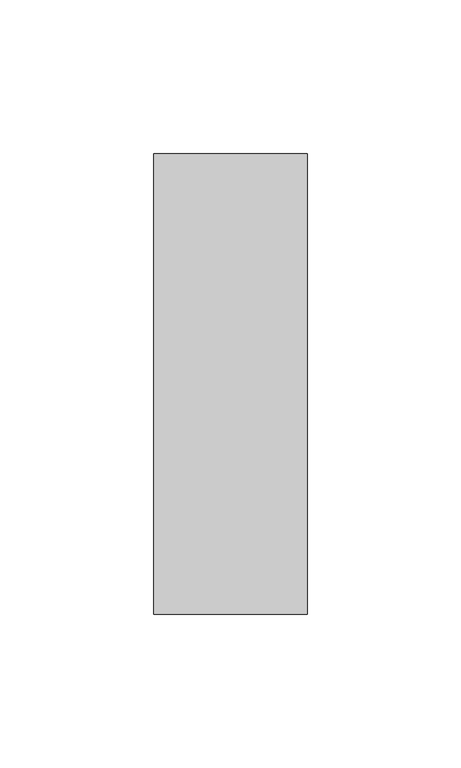
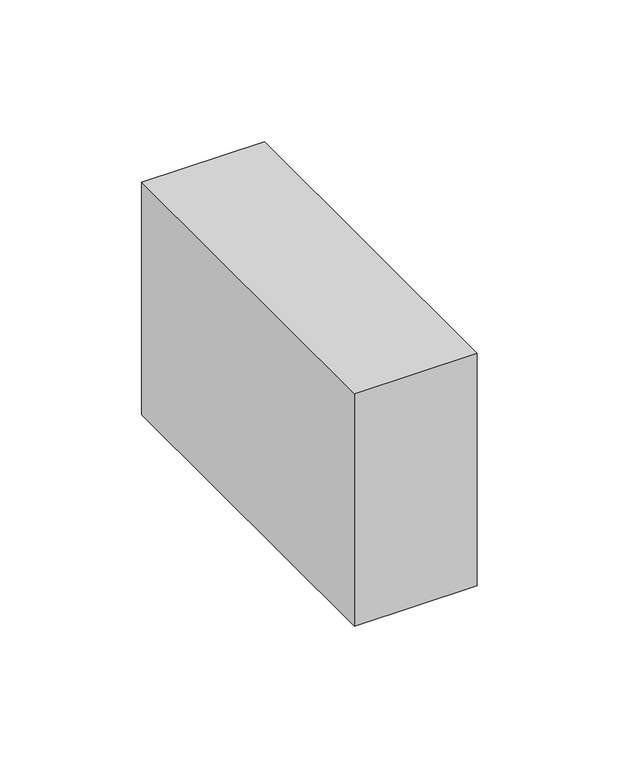
"""IFC4 building model written with IfcOpenShell, lengths in millimetres: member geometry."""

from ifc_helpers import new_model, si_unit, frame, origin, place, context, project, spatial, polyline, outline, extrude, source, transform, mapped, element, save


def member_550cda47(model_context):
    return source(origin(), model_context, "Body", "SweptSolid", [
        extrude(outline(polyline([(0.0, 75.0), (0.0, -75.0), (-50.0, -75.0), (-50.0, 75.0), (0.0, 75.0)])), frame((0.0, 0.0, -100.0), z_axis=(0.0, 0.0, 1.0), x_axis=(1.0, 0.0, 0.0)), (0.0, 0.0, 1.0), 100.0),
    ])


if __name__ == "__main__":
    model = new_model("IFC4")
    model_context = context("Model", 3, world=origin())
    ifc_project = project(units=[si_unit("LENGTHUNIT", "METRE", prefix="MILLI")], contexts=[model_context])
    site = spatial("IfcSite", under=ifc_project)
    building = spatial("IfcBuilding", under=site)
    placement = place(None, origin())
    member_shape = member_550cda47(model_context)
    element("IfcMember", 1, at=placement, inside=building, context=model_context, shape_type="MappedRepresentation", body=[
        mapped(member_shape, transform((0.0, 0.0, 0.0), x_axis=(1.0, 0.0, 0.0), y_axis=(0.0, 1.0, 0.0), z_axis=(0.0, 0.0, 1.0))),
    ])
    save(model, "model.ifc")
